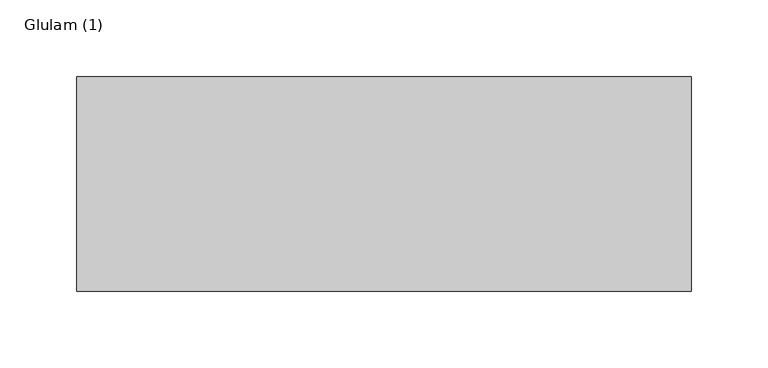
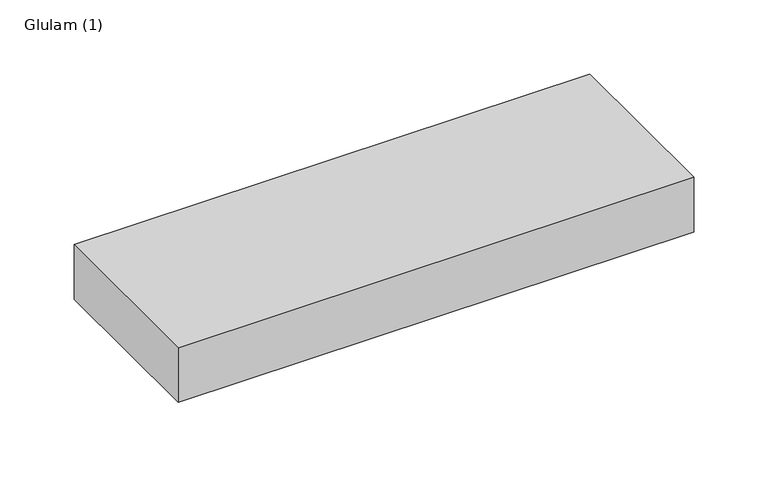
"""IFC4 building model written with IfcOpenShell, lengths in millimetres: beam geometry, Glulam (1)."""

import ifcopenshell
import ifcopenshell.guid

model = None  # the IFC model being written
_history = None  # IfcOwnerHistory: only IFC2X3 demands one
_inside = {}  # id of a spatial element -> (the spatial element, [elements in it])
_under = {}  # id of a project, library or spatial element -> (it, [spatial elements below it])
_declared = {}  # id of a project -> (the project, [libraries it declares])
_typed = {}  # id of a type object -> (the type object, [elements of that type])
_made_of = {}  # id of a material, layer set ... -> (it, [elements and type objects made of it])


def new_model(schema):
    """Start an empty IFC model of exactly this schema.

    Asked for "IFC4X3", IfcOpenShell would pick the latest addendum, in which some entities
    have other attributes; the version numbers below select the first issue.
    IFC2X3 requires an IfcOwnerHistory on every rooted entity: one is made here for all.
    """
    global model, _history
    if schema == "IFC4X3":
        model = ifcopenshell.file(schema_version=(4, 3, 0, 0))
    else:
        model = ifcopenshell.file(schema=schema)
    _inside.clear()
    _under.clear()
    _declared.clear()
    _typed.clear()
    _made_of.clear()
    _history = None
    if model.schema == "IFC2X3":
        org = make("IfcOrganization", Name="unknown")
        user = make(
            "IfcPersonAndOrganization",
            ThePerson=make("IfcPerson", FamilyName="unknown"),
            TheOrganization=org,
        )
        app = make(
            "IfcApplication",
            ApplicationDeveloper=org,
            Version="unknown",
            ApplicationFullName="unknown",
            ApplicationIdentifier="unknown",
        )
        _history = make(
            "IfcOwnerHistory",
            OwningUser=user,
            OwningApplication=app,
            ChangeAction="ADDED",
            CreationDate=0,
        )
    return model


def make(cls, **values):
    """One entity of the class cls with the attributes given. An attribute that is None is left unset."""
    return model.create_entity(
        cls, **{name: value for name, value in values.items() if value is not None}
    )


def rooted(cls, **values):
    """An entity with a GlobalId (a new one), such as an element, a storey or a relation."""
    return make(cls, GlobalId=ifcopenshell.guid.new(), OwnerHistory=_history, **values)


def si_unit(unit_type, name, prefix=None):
    """IfcSIUnit, for example si_unit("LENGTHUNIT", "METRE", prefix="MILLI")."""
    return make("IfcSIUnit", UnitType=unit_type, Prefix=prefix, Name=name)


def assignment(units):
    """IfcUnitAssignment: the units of a project."""
    return None if units is None else make("IfcUnitAssignment", Units=units)


def point(xyz):
    """IfcCartesianPoint."""
    return None if xyz is None else make("IfcCartesianPoint", Coordinates=xyz)


def direction(xyz):
    """IfcDirection."""
    return None if xyz is None else make("IfcDirection", DirectionRatios=xyz)


def frame(location, z_axis=None, x_axis=None):
    """IfcAxis2Placement3D, a coordinate frame: its origin and axes. An axis left out is left unset."""
    return make(
        "IfcAxis2Placement3D",
        Location=point(location),
        Axis=direction(z_axis),
        RefDirection=direction(x_axis),
    )


def origin():
    """The frame at (0, 0, 0) with its axes left unset."""
    return frame((0.0, 0.0, 0.0))


def place(relative_to, where):
    """IfcLocalPlacement: puts the frame where relative to a parent placement (None: the world)."""
    return make(
        "IfcLocalPlacement", PlacementRelTo=relative_to, RelativePlacement=where
    )


def context(
    kind, dimensions, precision=None, world=None, true_north=None, identifier=None
):
    """IfcGeometricRepresentationContext, for example the 3D "Model" context."""
    return make(
        "IfcGeometricRepresentationContext",
        ContextIdentifier=identifier,
        ContextType=kind,
        CoordinateSpaceDimension=dimensions,
        Precision=precision,
        WorldCoordinateSystem=world,
        TrueNorth=true_north,
    )


def project(units=None, contexts=None):
    """IfcProject with its units and contexts."""
    return rooted(
        "IfcProject",
        Name="project",
        RepresentationContexts=contexts,
        UnitsInContext=assignment(units),
    )


def spatial(cls, under=None, at=None, **own):
    """A site, building, storey or space (cls), placed at a placement, below another one or the project."""
    s = rooted(cls, ObjectPlacement=at, **own)
    if under is not None:
        _under.setdefault(under.id(), (under, []))[1].append(s)
    return s


def polyline(points):
    """IfcPolyline through the points."""
    return make("IfcPolyline", Points=[point(p) for p in points])


def outline(outer, holes=None, kind="AREA"):
    """IfcArbitraryClosedProfileDef: a profile drawn as a closed curve; with holes, ...WithVoids."""
    if holes is None:
        return make("IfcArbitraryClosedProfileDef", ProfileType=kind, OuterCurve=outer)
    return make(
        "IfcArbitraryProfileDefWithVoids",
        ProfileType=kind,
        OuterCurve=outer,
        InnerCurves=holes,
    )


def extrude(swept, where, along, depth):
    """IfcExtrudedAreaSolid: the profile swept, set in the frame where, extruded along a direction by depth."""
    return make(
        "IfcExtrudedAreaSolid",
        SweptArea=swept,
        Position=where,
        ExtrudedDirection=direction(along),
        Depth=depth,
    )


def shape(context_of_items, identifier, shape_type, items):
    """IfcShapeRepresentation: the items that make up one representation, for example the "Body"."""
    return make(
        "IfcShapeRepresentation",
        ContextOfItems=context_of_items,
        RepresentationIdentifier=identifier,
        RepresentationType=shape_type,
        Items=items,
    )


def source(mapping_origin, context_of_items, identifier, shape_type, items):
    """IfcRepresentationMap: a shape defined once, which mapped items show again and again."""
    return make(
        "IfcRepresentationMap",
        MappingOrigin=mapping_origin,
        MappedRepresentation=shape(context_of_items, identifier, shape_type, items),
    )


def transform(
    local_origin,
    x_axis=None,
    y_axis=None,
    z_axis=None,
    scale=None,
    scale2=None,
    scale3=None,
    uniform=True,
):
    """IfcCartesianTransformationOperator3D, or its non-uniform kind. x_axis, y_axis, z_axis: its Axis1, 2, 3."""
    if uniform:
        return make(
            "IfcCartesianTransformationOperator3D",
            Axis1=direction(x_axis),
            Axis2=direction(y_axis),
            LocalOrigin=point(local_origin),
            Scale=scale,
            Axis3=direction(z_axis),
        )
    return make(
        "IfcCartesianTransformationOperator3DnonUniform",
        Axis1=direction(x_axis),
        Axis2=direction(y_axis),
        LocalOrigin=point(local_origin),
        Scale=scale,
        Axis3=direction(z_axis),
        Scale2=scale2,
        Scale3=scale3,
    )


def mapped(mapping_source, mapping_target):
    """IfcMappedItem: shows the shape of a source again, moved by a transform."""
    return make(
        "IfcMappedItem", MappingSource=mapping_source, MappingTarget=mapping_target
    )


def made_of(thing, what):
    """Note that an element or type object is made of a material, layer set ...; save() writes the relation."""
    if what is not None:
        _made_of.setdefault(what.id(), (what, []))[1].append(thing)
    return thing


def element(
    cls,
    number,
    at=None,
    inside=None,
    cuts=None,
    type_object=None,
    material=None,
    context=None,
    identifier="Body",
    shape_type=None,
    held_by="IfcProductDefinitionShape",
    body=None,
    shapes=None,
    **own,
):
    """One element of the class cls, such as IfcWall. Its Tag is "e" and its number.

    at: its placement. inside: the storey or other place that contains it. cuts: it is an
    opening in that element (IfcRelVoidsElement). A single representation is given by context,
    identifier, shape_type and body (its items); several are given by shapes. held_by: the class
    of the entity that holds the representations. save() writes the other relations.
    """
    e = rooted(cls, Tag="e%d" % number, ObjectPlacement=at, **own)
    if body is not None:
        shapes = [shape(context, identifier, shape_type, body)]
    if shapes is not None:
        e.Representation = make(held_by, Representations=shapes)
    if inside is not None:
        _inside.setdefault(inside.id(), (inside, []))[1].append(e)
    if cuts is not None:
        rooted(
            "IfcRelVoidsElement", RelatingBuildingElement=cuts, RelatedOpeningElement=e
        )
    if type_object is not None:
        _typed.setdefault(type_object.id(), (type_object, []))[1].append(e)
    return made_of(e, material)


def aggregate(whole, parts):
    """IfcRelAggregates: a whole, such as a stair, and the parts it consists of."""
    return rooted("IfcRelAggregates", RelatingObject=whole, RelatedObjects=parts)


def save(model, path):
    """Write the relations noted so far, then the file.

    IfcRelAggregates (storeys below a building ...), IfcRelContainedInSpatialStructure (elements
    in a storey), IfcRelDefinesByType, IfcRelAssociatesMaterial and IfcRelDeclares: one each for
    every whole, place, type object, material and project.
    """
    for whole, parts in _under.values():
        aggregate(whole, parts)
    for where, things in _inside.values():
        rooted(
            "IfcRelContainedInSpatialStructure",
            RelatedElements=things,
            RelatingStructure=where,
        )
    for kind, things in _typed.values():
        rooted("IfcRelDefinesByType", RelatedObjects=things, RelatingType=kind)
    for what, things in _made_of.values():
        rooted("IfcRelAssociatesMaterial", RelatedObjects=things, RelatingMaterial=what)
    for by, libraries in _declared.values():
        rooted("IfcRelDeclares", RelatingContext=by, RelatedDefinitions=libraries)
    model.write(path)


def glulam_1_d22e4d49(model_context):
    return source(origin(), model_context, "Body", "SweptSolid", [
        extrude(outline(polyline([(200.5, 70.0), (200.5, -70.0), (-200.5, -70.0), (-200.5, 70.0), (200.5, 70.0)])), frame((0.0, 0.0, -22.5), z_axis=(0.0, 0.0, 1.0), x_axis=(1.0, 0.0, 0.0)), (0.0, 0.0, 1.0), 45.0),
    ])


if __name__ == "__main__":
    model = new_model("IFC4")
    model_context = context("Model", 3, world=origin())
    ifc_project = project(units=[si_unit("LENGTHUNIT", "METRE", prefix="MILLI")], contexts=[model_context])
    site = spatial("IfcSite", under=ifc_project)
    building = spatial("IfcBuilding", under=site)
    placement = place(None, origin())
    glulam_1_shape = glulam_1_d22e4d49(model_context)
    element("IfcBeam", 1, ObjectType="Glulam (1)", at=placement, inside=building, context=model_context, shape_type="MappedRepresentation", body=[
        mapped(glulam_1_shape, transform((0.0, 0.0, 0.0), x_axis=(1.0, 0.0, 0.0), y_axis=(0.0, 1.0, 0.0), z_axis=(0.0, 0.0, 1.0))),
    ])
    save(model, "model.ifc")
